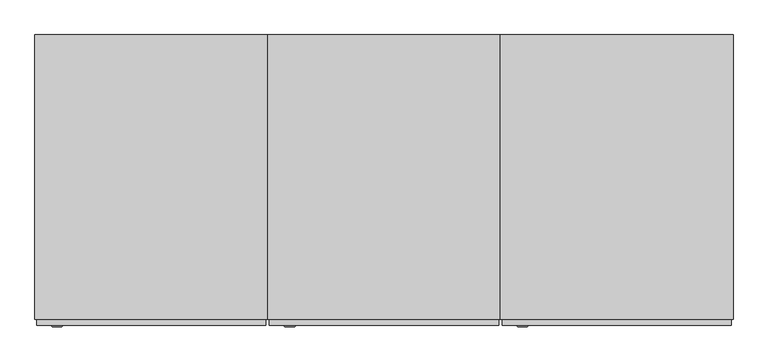
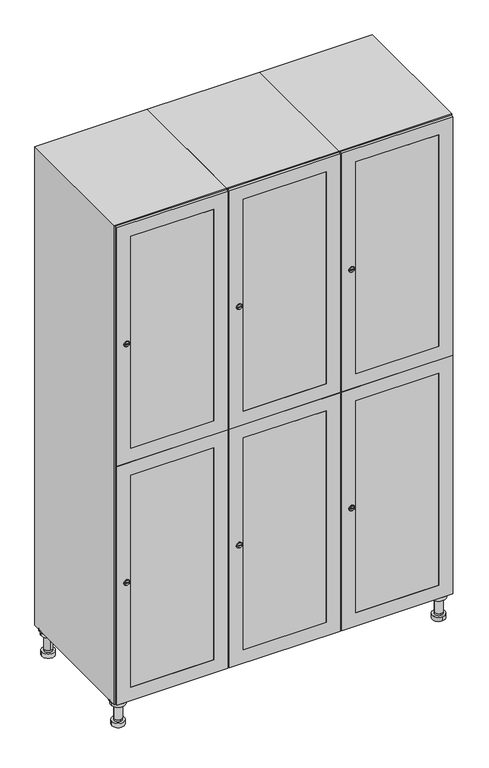
"""IFC4 building model written with IfcOpenShell, lengths in millimetres: furniture geometry."""

from ifc_helpers import new_model, si_unit, point, frame, frame_2d, origin, place, context, project, spatial, polyline, circle_curve, trimmed, segment, composite_curve, outline, extrude, faceted_brep, source, transform, mapped, element, save
from ifc_brep_helpers import plane_surface, cylinder_surface, revolved_surface, advanced_brep


def furniture_083c6bae(model_context):
    return source(origin(), model_context, "Body", "SolidModel", [
        advanced_brep(
        [(970.0, -201.0, 22.0), (970.0, -201.5, 16.0), (970.0, -228.5, 16.0), (970.0, -229.0, 22.0), (956.0, -215.0, 22.0), (984.0, -215.0, 22.0), (970.0, -192.5, 16.0), (970.0, -237.5, 16.0), (970.0, -192.5, 0.0), (970.0, -237.5, 0.0), (984.0, -215.0, 78.0), (956.0, -215.0, 78.0), (995.0, -215.0, 78.0), (945.0, -215.0, 78.0), (1000.0, -215.0, 94.0), (940.0, -215.0, 94.0), (945.0, -215.0, 94.0), (995.0, -215.0, 94.0), (1000.0, -215.0, 100.0), (940.0, -215.0, 100.0)],
        [
            (0, 1),
            (1, 2, circle_curve(frame((970.0, -215.0, 16.0), z_axis=(0.0, 0.0, 1.0), x_axis=(0.0, -1.0, 0.0)), 13.5)),
            (2, 3),
            (3, 4, circle_curve(frame((970.0, -215.0, 22.0), z_axis=(0.0, 0.0, -1.0), x_axis=(0.0, -1.0, 0.0)), 14.0)),
            (4, 0, circle_curve(frame((970.0, -215.0, 22.0), z_axis=(0.0, 0.0, -1.0), x_axis=(0.0, -1.0, 0.0)), 14.0)),
            (0, 5, circle_curve(frame((970.0, -215.0, 22.0), z_axis=(0.0, 0.0, -1.0), x_axis=(0.0, 1.0, 0.0)), 14.0)),
            (5, 3, circle_curve(frame((970.0, -215.0, 22.0), z_axis=(0.0, 0.0, -1.0), x_axis=(0.0, 1.0, 0.0)), 14.0)),
            (2, 1, circle_curve(frame((970.0, -215.0, 16.0), z_axis=(0.0, 0.0, 1.0), x_axis=(0.0, 1.0, 0.0)), 13.5)),
            (6, 7, circle_curve(frame((970.0, -215.0, 16.0), z_axis=(0.0, 0.0, 1.0), x_axis=(0.0, -1.0, 0.0)), 22.5)),
            (7, 6, circle_curve(frame((970.0, -215.0, 16.0), z_axis=(0.0, 0.0, 1.0), x_axis=(0.0, -1.0, 0.0)), 22.5)),
            (8, 9, circle_curve(frame((970.0, -215.0, 0.0), z_axis=(0.0, 0.0, -1.0), x_axis=(0.0, -1.0, 0.0)), 22.5)),
            (9, 8, circle_curve(frame((970.0, -215.0, 0.0), z_axis=(0.0, 0.0, -1.0), x_axis=(0.0, -1.0, 0.0)), 22.5)),
            (6, 8),
            (9, 7),
            (5, 10),
            (10, 11, circle_curve(frame((970.0, -215.0, 78.0), z_axis=(0.0, 0.0, -1.0), x_axis=(-1.0, 0.0, 0.0)), 14.0)),
            (11, 4),
            (11, 10, circle_curve(frame((970.0, -215.0, 78.0), z_axis=(0.0, 0.0, -1.0), x_axis=(-1.0, 0.0, 0.0)), 14.0)),
            (12, 13, circle_curve(frame((970.0, -215.0, 78.0), z_axis=(0.0, 0.0, -1.0), x_axis=(-1.0, 0.0, 0.0)), 25.0)),
            (13, 12, circle_curve(frame((970.0, -215.0, 78.0), z_axis=(0.0, 0.0, -1.0), x_axis=(-1.0, 0.0, 0.0)), 25.0)),
            (14, 15, circle_curve(frame((970.0, -215.0, 94.0), z_axis=(0.0, 0.0, -1.0), x_axis=(-1.0, 0.0, 0.0)), 30.0)),
            (15, 14, circle_curve(frame((970.0, -215.0, 94.0), z_axis=(0.0, 0.0, -1.0), x_axis=(-1.0, 0.0, 0.0)), 30.0)),
            (16, 17, circle_curve(frame((970.0, -215.0, 94.0), z_axis=(0.0, 0.0, 1.0), x_axis=(-1.0, 0.0, 0.0)), 25.0)),
            (17, 16, circle_curve(frame((970.0, -215.0, 94.0), z_axis=(0.0, 0.0, 1.0), x_axis=(-1.0, 0.0, 0.0)), 25.0)),
            (18, 19, circle_curve(frame((970.0, -215.0, 100.0), z_axis=(0.0, 0.0, 1.0), x_axis=(-1.0, 0.0, 0.0)), 30.0)),
            (19, 18, circle_curve(frame((970.0, -215.0, 100.0), z_axis=(0.0, 0.0, 1.0), x_axis=(-1.0, 0.0, 0.0)), 30.0)),
            (14, 18),
            (19, 15),
            (12, 17),
            (16, 13),
        ],
        [
            revolved_surface(polyline([(970.0, -201.5, 16.0), (970.0, -201.0, 22.0)]), (970.0, -215.0, -146.0), (0.0, 0.0, 1.0)),
            plane_surface(frame((970.0, 0.0, 16.0), z_axis=(0.0, 0.0, 1.0), x_axis=(0.0, -1.0, 0.0))),
            plane_surface(frame((970.0, 0.0, 0.0), z_axis=(0.0, 0.0, -1.0), x_axis=(0.0, -1.0, 0.0))),
            cylinder_surface(frame((970.0, -215.0, 16.0), z_axis=(0.0, 0.0, 1.0), x_axis=(0.0, -1.0, 0.0)), 22.5),
            cylinder_surface(frame((970.0, -215.0, 22.0), z_axis=(0.0, 0.0, -1.0), x_axis=(-1.0, 0.0, 0.0)), 14.0),
            plane_surface(frame((970.0, 0.0, 78.0), z_axis=(0.0, 0.0, -1.0), x_axis=(0.0, -1.0, 0.0))),
            plane_surface(frame((970.0, 0.0, 94.0), z_axis=(0.0, 0.0, -1.0), x_axis=(0.0, -1.0, 0.0))),
            plane_surface(frame((970.0, 0.0, 100.0), z_axis=(0.0, 0.0, 1.0), x_axis=(0.0, -1.0, 0.0))),
            cylinder_surface(frame((970.0, -215.0, 94.0), z_axis=(0.0, 0.0, -1.0), x_axis=(-1.0, 0.0, 0.0)), 30.0),
            cylinder_surface(frame((970.0, -215.0, 78.0), z_axis=(0.0, 0.0, -1.0), x_axis=(-1.0, 0.0, 0.0)), 25.0),
        ],
        [
            (0, [[1, 2, 3, 4, 5]]),
            (0, [[-1, 6, 7, -3, 8]]),
            (1, [[9, 10], [-2, -8]]),
            (2, [[11, 12]]),
            (3, [[-9, 13, -12, 14]]),
            (3, [[-10, -14, -11, -13]]),
            (4, [[15, 16, 17, -4, -7]]),
            (4, [[-15, -6, -5, -17, 18]]),
            (5, [[19, 20], [-16, -18]]),
            (6, [[21, 22], [23, 24]]),
            (7, [[25, 26]]),
            (8, [[-21, 27, -26, 28]]),
            (8, [[-22, -28, -25, -27]]),
            (9, [[-19, 29, -23, 30]]),
            (9, [[-20, -30, -24, -29]]),
        ],
    ),
        advanced_brep(
        [(-170.0, -201.0, 22.0), (-170.0, -201.5, 16.0), (-170.0, -228.5, 16.0), (-170.0, -229.0, 22.0), (-184.0, -215.0, 22.0), (-156.0, -215.0, 22.0), (-147.5, -215.0, 0.0), (-192.5, -215.0, 0.0), (-147.5, -215.0, 16.0), (-192.5, -215.0, 16.0), (-156.0, -215.0, 78.0), (-184.0, -215.0, 78.0), (-145.0, -215.0, 78.0), (-195.0, -215.0, 78.0), (-140.0, -215.0, 94.0), (-200.0, -215.0, 94.0), (-195.0, -215.0, 94.0), (-145.0, -215.0, 94.0), (-140.0, -215.0, 100.0), (-200.0, -215.0, 100.0)],
        [
            (0, 1),
            (1, 2, circle_curve(frame((-170.0, -215.0, 16.0), z_axis=(0.0, 0.0, 1.0), x_axis=(0.0, -1.0, 0.0)), 13.5)),
            (2, 3),
            (3, 4, circle_curve(frame((-170.0, -215.0, 22.0), z_axis=(0.0, 0.0, -1.0), x_axis=(0.0, -1.0, 0.0)), 14.0)),
            (4, 0, circle_curve(frame((-170.0, -215.0, 22.0), z_axis=(0.0, 0.0, -1.0), x_axis=(0.0, -1.0, 0.0)), 14.0)),
            (0, 5, circle_curve(frame((-170.0, -215.0, 22.0), z_axis=(0.0, 0.0, -1.0), x_axis=(0.0, 1.0, 0.0)), 14.0)),
            (5, 3, circle_curve(frame((-170.0, -215.0, 22.0), z_axis=(0.0, 0.0, -1.0), x_axis=(0.0, 1.0, 0.0)), 14.0)),
            (2, 1, circle_curve(frame((-170.0, -215.0, 16.0), z_axis=(0.0, 0.0, 1.0), x_axis=(0.0, 1.0, 0.0)), 13.5)),
            (6, 7, circle_curve(frame((-170.0, -215.0, 0.0), z_axis=(0.0, 0.0, -1.0), x_axis=(-1.0, 0.0, 0.0)), 22.5)),
            (7, 6, circle_curve(frame((-170.0, -215.0, 0.0), z_axis=(0.0, 0.0, -1.0), x_axis=(-1.0, 0.0, 0.0)), 22.5)),
            (8, 9, circle_curve(frame((-170.0, -215.0, 16.0), z_axis=(0.0, 0.0, 1.0), x_axis=(-1.0, 0.0, 0.0)), 22.5)),
            (9, 8, circle_curve(frame((-170.0, -215.0, 16.0), z_axis=(0.0, 0.0, 1.0), x_axis=(-1.0, 0.0, 0.0)), 22.5)),
            (6, 8),
            (9, 7),
            (5, 10),
            (10, 11, circle_curve(frame((-170.0, -215.0, 78.0), z_axis=(0.0, 0.0, -1.0), x_axis=(-1.0, 0.0, 0.0)), 14.0)),
            (11, 4),
            (11, 10, circle_curve(frame((-170.0, -215.0, 78.0), z_axis=(0.0, 0.0, -1.0), x_axis=(-1.0, 0.0, 0.0)), 14.0)),
            (12, 13, circle_curve(frame((-170.0, -215.0, 78.0), z_axis=(0.0, 0.0, -1.0), x_axis=(-1.0, 0.0, 0.0)), 25.0)),
            (13, 12, circle_curve(frame((-170.0, -215.0, 78.0), z_axis=(0.0, 0.0, -1.0), x_axis=(-1.0, 0.0, 0.0)), 25.0)),
            (14, 15, circle_curve(frame((-170.0, -215.0, 94.0), z_axis=(0.0, 0.0, -1.0), x_axis=(-1.0, 0.0, 0.0)), 30.0)),
            (15, 14, circle_curve(frame((-170.0, -215.0, 94.0), z_axis=(0.0, 0.0, -1.0), x_axis=(-1.0, 0.0, 0.0)), 30.0)),
            (16, 17, circle_curve(frame((-170.0, -215.0, 94.0), z_axis=(0.0, 0.0, 1.0), x_axis=(-1.0, 0.0, 0.0)), 25.0)),
            (17, 16, circle_curve(frame((-170.0, -215.0, 94.0), z_axis=(0.0, 0.0, 1.0), x_axis=(-1.0, 0.0, 0.0)), 25.0)),
            (18, 19, circle_curve(frame((-170.0, -215.0, 100.0), z_axis=(0.0, 0.0, 1.0), x_axis=(-1.0, 0.0, 0.0)), 30.0)),
            (19, 18, circle_curve(frame((-170.0, -215.0, 100.0), z_axis=(0.0, 0.0, 1.0), x_axis=(-1.0, 0.0, 0.0)), 30.0)),
            (14, 18),
            (19, 15),
            (12, 17),
            (16, 13),
        ],
        [
            revolved_surface(polyline([(-170.0, -201.5, 16.0), (-170.0, -201.0, 22.0)]), (-170.0, -215.0, -146.0), (0.0, 0.0, 1.0)),
            plane_surface(frame((-170.0, 0.0, 0.0), z_axis=(0.0, 0.0, -1.0), x_axis=(0.0, -1.0, 0.0))),
            plane_surface(frame((-170.0, 0.0, 16.0), z_axis=(0.0, 0.0, 1.0), x_axis=(0.0, -1.0, 0.0))),
            cylinder_surface(frame((-170.0, -215.0, 0.0), z_axis=(0.0, 0.0, -1.0), x_axis=(-1.0, 0.0, 0.0)), 22.5),
            cylinder_surface(frame((-170.0, -215.0, 22.0), z_axis=(0.0, 0.0, -1.0), x_axis=(-1.0, 0.0, 0.0)), 14.0),
            plane_surface(frame((-170.0, 0.0, 78.0), z_axis=(0.0, 0.0, -1.0), x_axis=(0.0, -1.0, 0.0))),
            plane_surface(frame((-170.0, 0.0, 94.0), z_axis=(0.0, 0.0, -1.0), x_axis=(0.0, -1.0, 0.0))),
            plane_surface(frame((-170.0, 0.0, 100.0), z_axis=(0.0, 0.0, 1.0), x_axis=(0.0, -1.0, 0.0))),
            cylinder_surface(frame((-170.0, -215.0, 94.0), z_axis=(0.0, 0.0, -1.0), x_axis=(-1.0, 0.0, 0.0)), 30.0),
            cylinder_surface(frame((-170.0, -215.0, 78.0), z_axis=(0.0, 0.0, -1.0), x_axis=(-1.0, 0.0, 0.0)), 25.0),
        ],
        [
            (0, [[1, 2, 3, 4, 5]]),
            (0, [[-1, 6, 7, -3, 8]]),
            (1, [[9, 10]]),
            (2, [[11, 12], [-2, -8]]),
            (3, [[-9, 13, -12, 14]]),
            (3, [[-10, -14, -11, -13]]),
            (4, [[15, 16, 17, -4, -7]]),
            (4, [[-15, -6, -5, -17, 18]]),
            (5, [[19, 20], [-16, -18]]),
            (6, [[21, 22], [23, 24]]),
            (7, [[25, 26]]),
            (8, [[-21, 27, -26, 28]]),
            (8, [[-22, -28, -25, -27]]),
            (9, [[-19, 29, -23, 30]]),
            (9, [[-20, -30, -24, -29]]),
        ],
    ),
        advanced_brep(
        [(983.5, 215.0, 16.0), (984.0, 215.0, 22.0), (956.0, 215.0, 22.0), (956.5, 215.0, 16.0), (992.5, 215.0, 0.0), (947.5, 215.0, 0.0), (992.5, 215.0, 16.0), (947.5, 215.0, 16.0), (984.0, 215.0, 78.0), (956.0, 215.0, 78.0), (995.0, 215.0, 78.0), (945.0, 215.0, 78.0), (1000.0, 215.0, 94.0), (940.0, 215.0, 94.0), (945.0, 215.0, 94.0), (995.0, 215.0, 94.0), (1000.0, 215.0, 100.0), (940.0, 215.0, 100.0)],
        [
            (0, 1),
            (1, 2, circle_curve(frame((970.0, 215.0, 22.0), z_axis=(0.0, 0.0, -1.0), x_axis=(-1.0, 0.0, 0.0)), 14.0)),
            (2, 3),
            (3, 0, circle_curve(frame((970.0, 215.0, 16.0), z_axis=(0.0, 0.0, 1.0), x_axis=(-1.0, 0.0, 0.0)), 13.5)),
            (0, 3, circle_curve(frame((970.0, 215.0, 16.0), z_axis=(0.0, 0.0, 1.0), x_axis=(1.0, 0.0, 0.0)), 13.5)),
            (2, 1, circle_curve(frame((970.0, 215.0, 22.0), z_axis=(0.0, 0.0, -1.0), x_axis=(1.0, 0.0, 0.0)), 14.0)),
            (4, 5, circle_curve(frame((970.0, 215.0, 0.0), z_axis=(0.0, 0.0, -1.0), x_axis=(-1.0, 0.0, 0.0)), 22.5)),
            (5, 4, circle_curve(frame((970.0, 215.0, 0.0), z_axis=(0.0, 0.0, -1.0), x_axis=(-1.0, 0.0, 0.0)), 22.5)),
            (6, 7, circle_curve(frame((970.0, 215.0, 16.0), z_axis=(0.0, 0.0, 1.0), x_axis=(-1.0, 0.0, 0.0)), 22.5)),
            (7, 6, circle_curve(frame((970.0, 215.0, 16.0), z_axis=(0.0, 0.0, 1.0), x_axis=(-1.0, 0.0, 0.0)), 22.5)),
            (4, 6),
            (7, 5),
            (1, 8),
            (8, 9, circle_curve(frame((970.0, 215.0, 78.0), z_axis=(0.0, 0.0, -1.0), x_axis=(-1.0, 0.0, 0.0)), 14.0)),
            (9, 2),
            (9, 8, circle_curve(frame((970.0, 215.0, 78.0), z_axis=(0.0, 0.0, -1.0), x_axis=(-1.0, 0.0, 0.0)), 14.0)),
            (10, 11, circle_curve(frame((970.0, 215.0, 78.0), z_axis=(0.0, 0.0, -1.0), x_axis=(-1.0, 0.0, 0.0)), 25.0)),
            (11, 10, circle_curve(frame((970.0, 215.0, 78.0), z_axis=(0.0, 0.0, -1.0), x_axis=(-1.0, 0.0, 0.0)), 25.0)),
            (12, 13, circle_curve(frame((970.0, 215.0, 94.0), z_axis=(0.0, 0.0, -1.0), x_axis=(-1.0, 0.0, 0.0)), 30.0)),
            (13, 12, circle_curve(frame((970.0, 215.0, 94.0), z_axis=(0.0, 0.0, -1.0), x_axis=(-1.0, 0.0, 0.0)), 30.0)),
            (14, 15, circle_curve(frame((970.0, 215.0, 94.0), z_axis=(0.0, 0.0, 1.0), x_axis=(-1.0, 0.0, 0.0)), 25.0)),
            (15, 14, circle_curve(frame((970.0, 215.0, 94.0), z_axis=(0.0, 0.0, 1.0), x_axis=(-1.0, 0.0, 0.0)), 25.0)),
            (16, 17, circle_curve(frame((970.0, 215.0, 100.0), z_axis=(0.0, 0.0, 1.0), x_axis=(-1.0, 0.0, 0.0)), 30.0)),
            (17, 16, circle_curve(frame((970.0, 215.0, 100.0), z_axis=(0.0, 0.0, 1.0), x_axis=(-1.0, 0.0, 0.0)), 30.0)),
            (12, 16),
            (17, 13),
            (10, 15),
            (14, 11),
        ],
        [
            revolved_surface(polyline([(983.5, 215.0, 16.0), (984.0, 215.0, 22.0)]), (970.0, 215.0, -146.0), (0.0, 0.0, 1.0)),
            plane_surface(frame((970.0, 0.0, 0.0), z_axis=(0.0, 0.0, -1.0), x_axis=(0.0, -1.0, 0.0))),
            plane_surface(frame((970.0, 0.0, 16.0), z_axis=(0.0, 0.0, 1.0), x_axis=(0.0, -1.0, 0.0))),
            cylinder_surface(frame((970.0, 215.0, 0.0), z_axis=(0.0, 0.0, -1.0), x_axis=(-1.0, 0.0, 0.0)), 22.5),
            cylinder_surface(frame((970.0, 215.0, 22.0), z_axis=(0.0, 0.0, -1.0), x_axis=(-1.0, 0.0, 0.0)), 14.0),
            plane_surface(frame((970.0, 0.0, 78.0), z_axis=(0.0, 0.0, -1.0), x_axis=(0.0, -1.0, 0.0))),
            plane_surface(frame((970.0, 0.0, 94.0), z_axis=(0.0, 0.0, -1.0), x_axis=(0.0, -1.0, 0.0))),
            plane_surface(frame((970.0, 0.0, 100.0), z_axis=(0.0, 0.0, 1.0), x_axis=(0.0, -1.0, 0.0))),
            cylinder_surface(frame((970.0, 215.0, 94.0), z_axis=(0.0, 0.0, -1.0), x_axis=(-1.0, 0.0, 0.0)), 30.0),
            cylinder_surface(frame((970.0, 215.0, 78.0), z_axis=(0.0, 0.0, -1.0), x_axis=(-1.0, 0.0, 0.0)), 25.0),
        ],
        [
            (0, [[1, 2, 3, 4]]),
            (0, [[-1, 5, -3, 6]]),
            (1, [[7, 8]]),
            (2, [[9, 10], [-4, -5]]),
            (3, [[-7, 11, -10, 12]]),
            (3, [[-8, -12, -9, -11]]),
            (4, [[13, 14, 15, -2]]),
            (4, [[-13, -6, -15, 16]]),
            (5, [[17, 18], [-14, -16]]),
            (6, [[19, 20], [21, 22]]),
            (7, [[23, 24]]),
            (8, [[-19, 25, -24, 26]]),
            (8, [[-20, -26, -23, -25]]),
            (9, [[-17, 27, -21, 28]]),
            (9, [[-18, -28, -22, -27]]),
        ],
    ),
        advanced_brep(
        [(-156.5, 215.0, 16.0), (-156.0, 215.0, 22.0), (-170.0, 201.0, 22.0), (-184.0, 215.0, 22.0), (-183.5, 215.0, 16.0), (-170.0, 229.0, 22.0), (-147.5, 215.0, 0.0), (-192.5, 215.0, 0.0), (-147.5, 215.0, 16.0), (-192.5, 215.0, 16.0), (-170.0, 229.0, 78.0), (-170.0, 201.0, 78.0), (-145.0, 215.0, 78.0), (-195.0, 215.0, 78.0), (-140.0, 215.0, 94.0), (-200.0, 215.0, 94.0), (-195.0, 215.0, 94.0), (-145.0, 215.0, 94.0), (-140.0, 215.0, 100.0), (-200.0, 215.0, 100.0)],
        [
            (0, 1),
            (1, 2, circle_curve(frame((-170.0, 215.0, 22.0), z_axis=(0.0, 0.0, -1.0), x_axis=(-1.0, 0.0, 0.0)), 14.0)),
            (2, 3, circle_curve(frame((-170.0, 215.0, 22.0), z_axis=(0.0, 0.0, -1.0), x_axis=(-1.0, 0.0, 0.0)), 14.0)),
            (3, 4),
            (4, 0, circle_curve(frame((-170.0, 215.0, 16.0), z_axis=(0.0, 0.0, 1.0), x_axis=(-1.0, 0.0, 0.0)), 13.5)),
            (0, 4, circle_curve(frame((-170.0, 215.0, 16.0), z_axis=(0.0, 0.0, 1.0), x_axis=(1.0, 0.0, 0.0)), 13.5)),
            (3, 5, circle_curve(frame((-170.0, 215.0, 22.0), z_axis=(0.0, 0.0, -1.0), x_axis=(1.0, 0.0, 0.0)), 14.0)),
            (5, 1, circle_curve(frame((-170.0, 215.0, 22.0), z_axis=(0.0, 0.0, -1.0), x_axis=(1.0, 0.0, 0.0)), 14.0)),
            (6, 7, circle_curve(frame((-170.0, 215.0, 0.0), z_axis=(0.0, 0.0, -1.0), x_axis=(-1.0, 0.0, 0.0)), 22.5)),
            (7, 6, circle_curve(frame((-170.0, 215.0, 0.0), z_axis=(0.0, 0.0, -1.0), x_axis=(-1.0, 0.0, 0.0)), 22.5)),
            (8, 9, circle_curve(frame((-170.0, 215.0, 16.0), z_axis=(0.0, 0.0, 1.0), x_axis=(-1.0, 0.0, 0.0)), 22.5)),
            (9, 8, circle_curve(frame((-170.0, 215.0, 16.0), z_axis=(0.0, 0.0, 1.0), x_axis=(-1.0, 0.0, 0.0)), 22.5)),
            (6, 8),
            (9, 7),
            (10, 5),
            (2, 11),
            (11, 10, circle_curve(frame((-170.0, 215.0, 78.0), z_axis=(0.0, 0.0, -1.0), x_axis=(0.0, -1.0, 0.0)), 14.0)),
            (10, 11, circle_curve(frame((-170.0, 215.0, 78.0), z_axis=(0.0, 0.0, -1.0), x_axis=(0.0, -1.0, 0.0)), 14.0)),
            (12, 13, circle_curve(frame((-170.0, 215.0, 78.0), z_axis=(0.0, 0.0, -1.0), x_axis=(-1.0, 0.0, 0.0)), 25.0)),
            (13, 12, circle_curve(frame((-170.0, 215.0, 78.0), z_axis=(0.0, 0.0, -1.0), x_axis=(-1.0, 0.0, 0.0)), 25.0)),
            (14, 15, circle_curve(frame((-170.0, 215.0, 94.0), z_axis=(0.0, 0.0, -1.0), x_axis=(-1.0, 0.0, 0.0)), 30.0)),
            (15, 14, circle_curve(frame((-170.0, 215.0, 94.0), z_axis=(0.0, 0.0, -1.0), x_axis=(-1.0, 0.0, 0.0)), 30.0)),
            (16, 17, circle_curve(frame((-170.0, 215.0, 94.0), z_axis=(0.0, 0.0, 1.0), x_axis=(-1.0, 0.0, 0.0)), 25.0)),
            (17, 16, circle_curve(frame((-170.0, 215.0, 94.0), z_axis=(0.0, 0.0, 1.0), x_axis=(-1.0, 0.0, 0.0)), 25.0)),
            (18, 19, circle_curve(frame((-170.0, 215.0, 100.0), z_axis=(0.0, 0.0, 1.0), x_axis=(-1.0, 0.0, 0.0)), 30.0)),
            (19, 18, circle_curve(frame((-170.0, 215.0, 100.0), z_axis=(0.0, 0.0, 1.0), x_axis=(-1.0, 0.0, 0.0)), 30.0)),
            (14, 18),
            (19, 15),
            (12, 17),
            (16, 13),
        ],
        [
            revolved_surface(polyline([(-156.5, 215.0, 16.0), (-156.0, 215.0, 22.0)]), (-170.0, 215.0, -146.0), (0.0, 0.0, 1.0)),
            plane_surface(frame((-170.0, 0.0, 0.0), z_axis=(0.0, 0.0, -1.0), x_axis=(0.0, -1.0, 0.0))),
            plane_surface(frame((-170.0, 0.0, 16.0), z_axis=(0.0, 0.0, 1.0), x_axis=(0.0, -1.0, 0.0))),
            cylinder_surface(frame((-170.0, 215.0, 0.0), z_axis=(0.0, 0.0, -1.0), x_axis=(-1.0, 0.0, 0.0)), 22.5),
            cylinder_surface(frame((-170.0, 215.0, 78.0), z_axis=(0.0, 0.0, 1.0), x_axis=(0.0, -1.0, 0.0)), 14.0),
            plane_surface(frame((-170.0, 0.0, 78.0), z_axis=(0.0, 0.0, -1.0), x_axis=(0.0, -1.0, 0.0))),
            plane_surface(frame((-170.0, 0.0, 94.0), z_axis=(0.0, 0.0, -1.0), x_axis=(0.0, -1.0, 0.0))),
            plane_surface(frame((-170.0, 0.0, 100.0), z_axis=(0.0, 0.0, 1.0), x_axis=(0.0, -1.0, 0.0))),
            cylinder_surface(frame((-170.0, 215.0, 94.0), z_axis=(0.0, 0.0, -1.0), x_axis=(-1.0, 0.0, 0.0)), 30.0),
            cylinder_surface(frame((-170.0, 215.0, 78.0), z_axis=(0.0, 0.0, -1.0), x_axis=(-1.0, 0.0, 0.0)), 25.0),
        ],
        [
            (0, [[1, 2, 3, 4, 5]]),
            (0, [[-1, 6, -4, 7, 8]]),
            (1, [[9, 10]]),
            (2, [[11, 12], [-5, -6]]),
            (3, [[-9, 13, -12, 14]]),
            (3, [[-10, -14, -11, -13]]),
            (4, [[15, -7, -3, 16, 17]]),
            (4, [[-15, 18, -16, -2, -8]]),
            (5, [[19, 20], [-17, -18]]),
            (6, [[21, 22], [23, 24]]),
            (7, [[25, 26]]),
            (8, [[-21, 27, -26, 28]]),
            (8, [[-22, -28, -25, -27]]),
            (9, [[-19, 29, -23, 30]]),
            (9, [[-20, -30, -24, -29]]),
        ],
    ),
        extrude(outline(composite_curve([segment(trimmed(circle_curve(frame_2d((1448.5, 611.2010534)), 7.0), [point((1455.5, 611.2010534))], [point((1441.5, 611.2010534))], False, "CARTESIAN"), True, "CONTINUOUS"), segment(polyline([(1441.5, 611.2010534), (1441.5, 639.2010534)]), True, "CONTINUOUS"), segment(trimmed(circle_curve(frame_2d((1448.5, 639.2010534)), 7.0), [point((1441.5, 639.2010534))], [point((1455.5, 639.2010534))], False, "CARTESIAN"), True, "CONTINUOUS"), segment(polyline([(1455.5, 639.2010534), (1455.5, 611.2010534)]), True, "CONTINUOUS")], self_intersect=False)), frame((0.0, -245.0, 0.0), z_axis=(0.0, 1.0, 0.0), x_axis=(0.0, 0.0, 1.0)), (0.0, 0.0, 1.0), 2.0),
        advanced_brep(
        [(646.5, -257.2, 1448.5), (629.5, -257.2, 1448.5), (633.0, -257.2, 1447.25), (633.0, -257.2, 1449.75), (643.0, -257.2, 1449.75), (643.0, -257.2, 1447.25), (648.5, -255.0, 1448.5), (627.5, -255.0, 1448.5), (633.0, -255.0, 1449.75), (633.0, -255.0, 1447.25), (643.0, -255.0, 1447.25), (643.0, -255.0, 1449.75)],
        [
            (0, 1, circle_curve(frame((638.0, -257.2, 1448.5), z_axis=(0.0, -1.0, 0.0), x_axis=(1.0, 0.0, 0.0)), 8.5)),
            (1, 0, circle_curve(frame((638.0, -257.2, 1448.5), z_axis=(0.0, -1.0, 0.0), x_axis=(-1.0, 0.0, 0.0)), 8.5)),
            (2, 3),
            (3, 4),
            (4, 5),
            (5, 2),
            (6, 7, circle_curve(frame((638.0, -255.0, 1448.5), z_axis=(0.0, 1.0, 0.0), x_axis=(-1.0, 0.0, 0.0)), 10.5)),
            (7, 6, circle_curve(frame((638.0, -255.0, 1448.5), z_axis=(0.0, 1.0, 0.0), x_axis=(1.0, 0.0, 0.0)), 10.5)),
            (8, 9),
            (9, 10),
            (10, 11),
            (11, 8),
            (0, 6),
            (7, 1),
            (8, 3),
            (2, 9),
            (11, 4),
            (10, 5),
        ],
        [
            plane_surface(frame((638.0, -257.2, 1448.5), z_axis=(0.0, -1.0, 0.0), x_axis=(0.0, 0.0, 1.0))),
            plane_surface(frame((638.0, -255.0, 1448.5), z_axis=(0.0, 1.0, 0.0), x_axis=(0.0, 0.0, 1.0))),
            revolved_surface(polyline([(646.5, -257.2, 1448.5), (648.5, -255.0, 1448.5)]), (638.0, -266.55, 1448.5), (0.0, 1.0, 0.0)),
            revolved_surface(polyline([(629.5, -257.2, 1448.5), (627.5, -255.0, 1448.5)]), (638.0, -266.55, 1448.5), (0.0, 1.0, 0.0)),
            plane_surface(frame((633.0, -255.0, 1447.25), z_axis=(1.0, 0.0, 0.0), x_axis=(0.0, -1.0, 0.0))),
            plane_surface(frame((633.0, -255.0, 1449.75), z_axis=(0.0, 0.0, -1.0), x_axis=(0.0, -1.0, 0.0))),
            plane_surface(frame((643.0, -255.0, 1449.75), z_axis=(-1.0, 0.0, 0.0), x_axis=(0.0, -1.0, 0.0))),
            plane_surface(frame((643.0, -255.0, 1447.25), z_axis=(0.0, 0.0, 1.0), x_axis=(0.0, -1.0, 0.0))),
        ],
        [
            (0, [[1, 2], [3, 4, 5, 6]]),
            (1, [[7, 8], [9, 10, 11, 12]]),
            (2, [[-1, 13, -8, 14]]),
            (3, [[-2, -14, -7, -13]]),
            (4, [[15, -3, 16, -9]]),
            (5, [[-15, -12, 17, -4]]),
            (6, [[-17, -11, 18, -5]]),
            (7, [[-16, -6, -18, -10]]),
        ],
    ),
        extrude(outline(composite_curve([segment(trimmed(circle_curve(frame_2d((551.5, 611.2010534)), 7.0), [point((558.5, 611.2010534))], [point((544.5, 611.2010534))], False, "CARTESIAN"), True, "CONTINUOUS"), segment(polyline([(544.5, 611.2010534), (544.5, 639.2010534)]), True, "CONTINUOUS"), segment(trimmed(circle_curve(frame_2d((551.5, 639.2010534)), 7.0), [point((544.5, 639.2010534))], [point((558.5, 639.2010534))], False, "CARTESIAN"), True, "CONTINUOUS"), segment(polyline([(558.5, 639.2010534), (558.5, 611.2010534)]), True, "CONTINUOUS")], self_intersect=False)), frame((0.0, -245.0, 0.0), z_axis=(0.0, 1.0, 0.0), x_axis=(0.0, 0.0, 1.0)), (0.0, 0.0, 1.0), 2.0),
        advanced_brep(
        [(646.5, -257.2, 551.5), (629.5, -257.2, 551.5), (633.0, -257.2, 550.25), (633.0, -257.2, 552.75), (643.0, -257.2, 552.75), (643.0, -257.2, 550.25), (648.5, -255.0, 551.5), (627.5, -255.0, 551.5), (633.0, -255.0, 552.75), (633.0, -255.0, 550.25), (643.0, -255.0, 550.25), (643.0, -255.0, 552.75)],
        [
            (0, 1, circle_curve(frame((638.0, -257.2, 551.5), z_axis=(0.0, -1.0, 0.0), x_axis=(1.0, 0.0, 0.0)), 8.5)),
            (1, 0, circle_curve(frame((638.0, -257.2, 551.5), z_axis=(0.0, -1.0, 0.0), x_axis=(-1.0, 0.0, 0.0)), 8.5)),
            (2, 3),
            (3, 4),
            (4, 5),
            (5, 2),
            (6, 7, circle_curve(frame((638.0, -255.0, 551.5), z_axis=(0.0, 1.0, 0.0), x_axis=(-1.0, 0.0, 0.0)), 10.5)),
            (7, 6, circle_curve(frame((638.0, -255.0, 551.5), z_axis=(0.0, 1.0, 0.0), x_axis=(1.0, 0.0, 0.0)), 10.5)),
            (8, 9),
            (9, 10),
            (10, 11),
            (11, 8),
            (0, 6),
            (7, 1),
            (8, 3),
            (2, 9),
            (11, 4),
            (10, 5),
        ],
        [
            plane_surface(frame((638.0, -257.2, 551.5), z_axis=(0.0, -1.0, 0.0), x_axis=(0.0, 0.0, 1.0))),
            plane_surface(frame((638.0, -255.0, 551.5), z_axis=(0.0, 1.0, 0.0), x_axis=(0.0, 0.0, 1.0))),
            revolved_surface(polyline([(646.5, -257.2, 551.5), (648.5, -255.0, 551.5)]), (638.0, -266.55, 551.5), (0.0, 1.0, 0.0)),
            revolved_surface(polyline([(629.5, -257.2, 551.5), (627.5, -255.0, 551.5)]), (638.0, -266.55, 551.5), (0.0, 1.0, 0.0)),
            plane_surface(frame((633.0, -255.0, 550.25), z_axis=(1.0, 0.0, 0.0), x_axis=(0.0, -1.0, 0.0))),
            plane_surface(frame((633.0, -255.0, 552.75), z_axis=(0.0, 0.0, -1.0), x_axis=(0.0, -1.0, 0.0))),
            plane_surface(frame((643.0, -255.0, 552.75), z_axis=(-1.0, 0.0, 0.0), x_axis=(0.0, -1.0, 0.0))),
            plane_surface(frame((643.0, -255.0, 550.25), z_axis=(0.0, 0.0, 1.0), x_axis=(0.0, -1.0, 0.0))),
        ],
        [
            (0, [[1, 2], [3, 4, 5, 6]]),
            (1, [[7, 8], [9, 10, 11, 12]]),
            (2, [[-1, 13, -8, 14]]),
            (3, [[-2, -14, -7, -13]]),
            (4, [[15, -3, 16, -9]]),
            (5, [[-15, -12, 17, -4]]),
            (6, [[-17, -11, 18, -5]]),
            (7, [[-16, -6, -18, -10]]),
        ],
    ),
        extrude(outline(polyline([(1000.5, 997.0), (1897.0, 997.0), (1897.0, 603.0), (1000.5, 603.0), (1000.5, 997.0)]), holes=[polyline([(1847.0, 653.0), (1847.0, 947.0), (1050.5, 947.0), (1050.5, 653.0), (1847.0, 653.0)])]), frame((0.0, -255.0, 0.0), z_axis=(0.0, 1.0, 0.0), x_axis=(0.0, 0.0, 1.0)), (0.0, 0.0, 1.0), 10.0),
        extrude(outline(polyline([(999.5, 603.0), (103.0, 603.0), (103.0, 997.0), (999.5, 997.0), (999.5, 603.0)]), holes=[polyline([(153.0, 653.0), (949.5, 653.0), (949.5, 947.0), (153.0, 947.0), (153.0, 653.0)])]), frame((0.0, -255.0, 0.0), z_axis=(0.0, 1.0, 0.0), x_axis=(0.0, 0.0, 1.0)), (0.0, 0.0, 1.0), 10.0),
        extrude(outline(polyline([(947.0, -255.0), (653.0, -255.0), (653.0, -245.0), (947.0, -245.0), (947.0, -255.0)])), frame((0.0, 0.0, 1050.5), z_axis=(0.0, 0.0, 1.0), x_axis=(1.0, 0.0, 0.0)), (0.0, 0.0, 1.0), 796.5),
        extrude(outline(polyline([(947.0, -255.0), (653.0, -255.0), (653.0, -245.0), (947.0, -245.0), (947.0, -255.0)])), frame((0.0, 0.0, 153.0), z_axis=(0.0, 0.0, 1.0), x_axis=(1.0, 0.0, 0.0)), (0.0, 0.0, 1.0), 796.5),
        extrude(outline(polyline([(990.0, 241.0), (990.0, -235.0), (610.0, -235.0), (610.0, 241.0), (990.0, 241.0)])), frame((0.0, 0.0, 995.0), z_axis=(0.0, 0.0, 1.0), x_axis=(1.0, 0.0, 0.0)), (0.0, 0.0, 1.0), 10.0),
        faceted_brep([(1000.0, -245.0, 100.0), (1000.0, -245.0, 1900.0), (600.0, -245.0, 1900.0), (600.0, -245.0, 100.0), (990.0, -245.0, 1890.0), (990.0, -245.0, 110.0), (610.0, -245.0, 110.0), (610.0, -245.0, 1890.0), (1000.0, 245.0, 100.0), (600.0, 245.0, 100.0), (1000.0, 245.0, 1900.0), (600.0, 245.0, 1900.0), (990.0, 241.0, 1890.0), (990.0, 241.0, 110.0), (600.0, 245.0, 1890.0), (610.0, 241.0, 1890.0), (610.0, 241.0, 110.0)], [[[0, 1, 2, 3], [4, 5, 6, 7]], [[8, 0, 3, 9]], [[1, 0, 8, 10]], [[1, 10, 11, 2]], [[4, 12, 13, 5]], [[9, 3, 2, 11, 14]], [[10, 8, 9, 14, 11]], [[12, 15, 16, 13]], [[15, 7, 6, 16]], [[4, 7, 15, 12]], [[6, 5, 13, 16]]]),
        extrude(outline(composite_curve([segment(trimmed(circle_curve(frame_2d((1448.5, 211.2010534)), 7.0), [point((1455.5, 211.2010534))], [point((1441.5, 211.2010534))], False, "CARTESIAN"), True, "CONTINUOUS"), segment(polyline([(1441.5, 211.2010534), (1441.5, 239.2010534)]), True, "CONTINUOUS"), segment(trimmed(circle_curve(frame_2d((1448.5, 239.2010534)), 7.0), [point((1441.5, 239.2010534))], [point((1455.5, 239.2010534))], False, "CARTESIAN"), True, "CONTINUOUS"), segment(polyline([(1455.5, 239.2010534), (1455.5, 211.2010534)]), True, "CONTINUOUS")], self_intersect=False)), frame((0.0, -245.0, 0.0), z_axis=(0.0, 1.0, 0.0), x_axis=(0.0, 0.0, 1.0)), (0.0, 0.0, 1.0), 2.0),
        advanced_brep(
        [(246.5, -257.2, 1448.5), (229.5, -257.2, 1448.5), (233.0, -257.2, 1447.25), (233.0, -257.2, 1449.75), (243.0, -257.2, 1449.75), (243.0, -257.2, 1447.25), (248.5, -255.0, 1448.5), (227.5, -255.0, 1448.5), (233.0, -255.0, 1449.75), (233.0, -255.0, 1447.25), (243.0, -255.0, 1447.25), (243.0, -255.0, 1449.75)],
        [
            (0, 1, circle_curve(frame((238.0, -257.2, 1448.5), z_axis=(0.0, -1.0, 0.0), x_axis=(1.0, 0.0, 0.0)), 8.5)),
            (1, 0, circle_curve(frame((238.0, -257.2, 1448.5), z_axis=(0.0, -1.0, 0.0), x_axis=(-1.0, 0.0, 0.0)), 8.5)),
            (2, 3),
            (3, 4),
            (4, 5),
            (5, 2),
            (6, 7, circle_curve(frame((238.0, -255.0, 1448.5), z_axis=(0.0, 1.0, 0.0), x_axis=(-1.0, 0.0, 0.0)), 10.5)),
            (7, 6, circle_curve(frame((238.0, -255.0, 1448.5), z_axis=(0.0, 1.0, 0.0), x_axis=(1.0, 0.0, 0.0)), 10.5)),
            (8, 9),
            (9, 10),
            (10, 11),
            (11, 8),
            (0, 6),
            (7, 1),
            (8, 3),
            (2, 9),
            (11, 4),
            (10, 5),
        ],
        [
            plane_surface(frame((238.0, -257.2, 1448.5), z_axis=(0.0, -1.0, 0.0), x_axis=(0.0, 0.0, 1.0))),
            plane_surface(frame((238.0, -255.0, 1448.5), z_axis=(0.0, 1.0, 0.0), x_axis=(0.0, 0.0, 1.0))),
            revolved_surface(polyline([(246.5, -257.2, 1448.5), (248.5, -255.0, 1448.5)]), (238.0, -266.55, 1448.5), (0.0, 1.0, 0.0)),
            revolved_surface(polyline([(229.5, -257.2, 1448.5), (227.5, -255.0, 1448.5)]), (238.0, -266.55, 1448.5), (0.0, 1.0, 0.0)),
            plane_surface(frame((233.0, -255.0, 1447.25), z_axis=(1.0, 0.0, 0.0), x_axis=(0.0, -1.0, 0.0))),
            plane_surface(frame((233.0, -255.0, 1449.75), z_axis=(0.0, 0.0, -1.0), x_axis=(0.0, -1.0, 0.0))),
            plane_surface(frame((243.0, -255.0, 1449.75), z_axis=(-1.0, 0.0, 0.0), x_axis=(0.0, -1.0, 0.0))),
            plane_surface(frame((243.0, -255.0, 1447.25), z_axis=(0.0, 0.0, 1.0), x_axis=(0.0, -1.0, 0.0))),
        ],
        [
            (0, [[1, 2], [3, 4, 5, 6]]),
            (1, [[7, 8], [9, 10, 11, 12]]),
            (2, [[-1, 13, -8, 14]]),
            (3, [[-2, -14, -7, -13]]),
            (4, [[15, -3, 16, -9]]),
            (5, [[-15, -12, 17, -4]]),
            (6, [[-17, -11, 18, -5]]),
            (7, [[-16, -6, -18, -10]]),
        ],
    ),
        extrude(outline(composite_curve([segment(trimmed(circle_curve(frame_2d((551.5, 211.2010534)), 7.0), [point((558.5, 211.2010534))], [point((544.5, 211.2010534))], False, "CARTESIAN"), True, "CONTINUOUS"), segment(polyline([(544.5, 211.2010534), (544.5, 239.2010534)]), True, "CONTINUOUS"), segment(trimmed(circle_curve(frame_2d((551.5, 239.2010534)), 7.0), [point((544.5, 239.2010534))], [point((558.5, 239.2010534))], False, "CARTESIAN"), True, "CONTINUOUS"), segment(polyline([(558.5, 239.2010534), (558.5, 211.2010534)]), True, "CONTINUOUS")], self_intersect=False)), frame((0.0, -245.0, 0.0), z_axis=(0.0, 1.0, 0.0), x_axis=(0.0, 0.0, 1.0)), (0.0, 0.0, 1.0), 2.0),
        advanced_brep(
        [(246.5, -257.2, 551.5), (229.5, -257.2, 551.5), (233.0, -257.2, 550.25), (233.0, -257.2, 552.75), (243.0, -257.2, 552.75), (243.0, -257.2, 550.25), (248.5, -255.0, 551.5), (227.5, -255.0, 551.5), (233.0, -255.0, 552.75), (233.0, -255.0, 550.25), (243.0, -255.0, 550.25), (243.0, -255.0, 552.75)],
        [
            (0, 1, circle_curve(frame((238.0, -257.2, 551.5), z_axis=(0.0, -1.0, 0.0), x_axis=(1.0, 0.0, 0.0)), 8.5)),
            (1, 0, circle_curve(frame((238.0, -257.2, 551.5), z_axis=(0.0, -1.0, 0.0), x_axis=(-1.0, 0.0, 0.0)), 8.5)),
            (2, 3),
            (3, 4),
            (4, 5),
            (5, 2),
            (6, 7, circle_curve(frame((238.0, -255.0, 551.5), z_axis=(0.0, 1.0, 0.0), x_axis=(-1.0, 0.0, 0.0)), 10.5)),
            (7, 6, circle_curve(frame((238.0, -255.0, 551.5), z_axis=(0.0, 1.0, 0.0), x_axis=(1.0, 0.0, 0.0)), 10.5)),
            (8, 9),
            (9, 10),
            (10, 11),
            (11, 8),
            (0, 6),
            (7, 1),
            (8, 3),
            (2, 9),
            (11, 4),
            (10, 5),
        ],
        [
            plane_surface(frame((238.0, -257.2, 551.5), z_axis=(0.0, -1.0, 0.0), x_axis=(0.0, 0.0, 1.0))),
            plane_surface(frame((238.0, -255.0, 551.5), z_axis=(0.0, 1.0, 0.0), x_axis=(0.0, 0.0, 1.0))),
            revolved_surface(polyline([(246.5, -257.2, 551.5), (248.5, -255.0, 551.5)]), (238.0, -266.55, 551.5), (0.0, 1.0, 0.0)),
            revolved_surface(polyline([(229.5, -257.2, 551.5), (227.5, -255.0, 551.5)]), (238.0, -266.55, 551.5), (0.0, 1.0, 0.0)),
            plane_surface(frame((233.0, -255.0, 550.25), z_axis=(1.0, 0.0, 0.0), x_axis=(0.0, -1.0, 0.0))),
            plane_surface(frame((233.0, -255.0, 552.75), z_axis=(0.0, 0.0, -1.0), x_axis=(0.0, -1.0, 0.0))),
            plane_surface(frame((243.0, -255.0, 552.75), z_axis=(-1.0, 0.0, 0.0), x_axis=(0.0, -1.0, 0.0))),
            plane_surface(frame((243.0, -255.0, 550.25), z_axis=(0.0, 0.0, 1.0), x_axis=(0.0, -1.0, 0.0))),
        ],
        [
            (0, [[1, 2], [3, 4, 5, 6]]),
            (1, [[7, 8], [9, 10, 11, 12]]),
            (2, [[-1, 13, -8, 14]]),
            (3, [[-2, -14, -7, -13]]),
            (4, [[15, -3, 16, -9]]),
            (5, [[-15, -12, 17, -4]]),
            (6, [[-17, -11, 18, -5]]),
            (7, [[-16, -6, -18, -10]]),
        ],
    ),
        extrude(outline(polyline([(1000.5, 597.0), (1897.0, 597.0), (1897.0, 203.0), (1000.5, 203.0), (1000.5, 597.0)]), holes=[polyline([(1847.0, 253.0), (1847.0, 547.0), (1050.5, 547.0), (1050.5, 253.0), (1847.0, 253.0)])]), frame((0.0, -255.0, 0.0), z_axis=(0.0, 1.0, 0.0), x_axis=(0.0, 0.0, 1.0)), (0.0, 0.0, 1.0), 10.0),
        extrude(outline(polyline([(999.5, 203.0), (103.0, 203.0), (103.0, 597.0), (999.5, 597.0), (999.5, 203.0)]), holes=[polyline([(153.0, 253.0), (949.5, 253.0), (949.5, 547.0), (153.0, 547.0), (153.0, 253.0)])]), frame((0.0, -255.0, 0.0), z_axis=(0.0, 1.0, 0.0), x_axis=(0.0, 0.0, 1.0)), (0.0, 0.0, 1.0), 10.0),
        extrude(outline(polyline([(547.0, -255.0), (253.0, -255.0), (253.0, -245.0), (547.0, -245.0), (547.0, -255.0)])), frame((0.0, 0.0, 1050.5), z_axis=(0.0, 0.0, 1.0), x_axis=(1.0, 0.0, 0.0)), (0.0, 0.0, 1.0), 796.5),
        extrude(outline(polyline([(547.0, -255.0), (253.0, -255.0), (253.0, -245.0), (547.0, -245.0), (547.0, -255.0)])), frame((0.0, 0.0, 153.0), z_axis=(0.0, 0.0, 1.0), x_axis=(1.0, 0.0, 0.0)), (0.0, 0.0, 1.0), 796.5),
        extrude(outline(polyline([(590.0, 241.0), (590.0, -235.0), (210.0, -235.0), (210.0, 241.0), (590.0, 241.0)])), frame((0.0, 0.0, 995.0), z_axis=(0.0, 0.0, 1.0), x_axis=(1.0, 0.0, 0.0)), (0.0, 0.0, 1.0), 10.0),
        faceted_brep([(600.0, -245.0, 100.0), (600.0, -245.0, 1900.0), (200.0, -245.0, 1900.0), (200.0, -245.0, 100.0), (590.0, -245.0, 1890.0), (590.0, -245.0, 110.0), (210.0, -245.0, 110.0), (210.0, -245.0, 1890.0), (600.0, 245.0, 100.0), (200.0, 245.0, 100.0), (600.0, 245.0, 1900.0), (200.0, 245.0, 1900.0), (590.0, 241.0, 1890.0), (590.0, 241.0, 110.0), (200.0, 245.0, 1890.0), (210.0, 241.0, 1890.0), (210.0, 241.0, 110.0)], [[[0, 1, 2, 3], [4, 5, 6, 7]], [[8, 0, 3, 9]], [[1, 0, 8, 10]], [[1, 10, 11, 2]], [[4, 12, 13, 5]], [[9, 3, 2, 11, 14]], [[10, 8, 9, 14, 11]], [[12, 15, 16, 13]], [[15, 7, 6, 16]], [[4, 7, 15, 12]], [[6, 5, 13, 16]]]),
        extrude(outline(composite_curve([segment(trimmed(circle_curve(frame_2d((1448.5, -188.7989466)), 7.0), [point((1455.5, -188.7989466))], [point((1441.5, -188.7989466))], False, "CARTESIAN"), True, "CONTINUOUS"), segment(polyline([(1441.5, -188.7989466), (1441.5, -160.7989466)]), True, "CONTINUOUS"), segment(trimmed(circle_curve(frame_2d((1448.5, -160.7989466)), 7.0), [point((1441.5, -160.7989466))], [point((1455.5, -160.7989466))], False, "CARTESIAN"), True, "CONTINUOUS"), segment(polyline([(1455.5, -160.7989466), (1455.5, -188.7989466)]), True, "CONTINUOUS")], self_intersect=False)), frame((0.0, -245.0, 0.0), z_axis=(0.0, 1.0, 0.0), x_axis=(0.0, 0.0, 1.0)), (0.0, 0.0, 1.0), 2.0),
        advanced_brep(
        [(-153.5, -257.2, 1448.5), (-170.5, -257.2, 1448.5), (-167.0, -257.2, 1447.25), (-167.0, -257.2, 1449.75), (-157.0, -257.2, 1449.75), (-157.0, -257.2, 1447.25), (-151.5, -255.0, 1448.5), (-172.5, -255.0, 1448.5), (-167.0, -255.0, 1449.75), (-167.0, -255.0, 1447.25), (-157.0, -255.0, 1447.25), (-157.0, -255.0, 1449.75)],
        [
            (0, 1, circle_curve(frame((-162.0, -257.2, 1448.5), z_axis=(0.0, -1.0, 0.0), x_axis=(1.0, 0.0, 0.0)), 8.5)),
            (1, 0, circle_curve(frame((-162.0, -257.2, 1448.5), z_axis=(0.0, -1.0, 0.0), x_axis=(-1.0, 0.0, 0.0)), 8.5)),
            (2, 3),
            (3, 4),
            (4, 5),
            (5, 2),
            (6, 7, circle_curve(frame((-162.0, -255.0, 1448.5), z_axis=(0.0, 1.0, 0.0), x_axis=(-1.0, 0.0, 0.0)), 10.5)),
            (7, 6, circle_curve(frame((-162.0, -255.0, 1448.5), z_axis=(0.0, 1.0, 0.0), x_axis=(1.0, 0.0, 0.0)), 10.5)),
            (8, 9),
            (9, 10),
            (10, 11),
            (11, 8),
            (0, 6),
            (7, 1),
            (8, 3),
            (2, 9),
            (11, 4),
            (10, 5),
        ],
        [
            plane_surface(frame((-162.0, -257.2, 1448.5), z_axis=(0.0, -1.0, 0.0), x_axis=(0.0, 0.0, 1.0))),
            plane_surface(frame((-162.0, -255.0, 1448.5), z_axis=(0.0, 1.0, 0.0), x_axis=(0.0, 0.0, 1.0))),
            revolved_surface(polyline([(-153.5, -257.2, 1448.5), (-151.5, -255.0, 1448.5)]), (-162.0, -266.55, 1448.5), (0.0, 1.0, 0.0)),
            revolved_surface(polyline([(-170.5, -257.2, 1448.5), (-172.5, -255.0, 1448.5)]), (-162.0, -266.55, 1448.5), (0.0, 1.0, 0.0)),
            plane_surface(frame((-167.0, -255.0, 1447.25), z_axis=(1.0, 0.0, 0.0), x_axis=(0.0, -1.0, 0.0))),
            plane_surface(frame((-167.0, -255.0, 1449.75), z_axis=(0.0, 0.0, -1.0), x_axis=(0.0, -1.0, 0.0))),
            plane_surface(frame((-157.0, -255.0, 1449.75), z_axis=(-1.0, 0.0, 0.0), x_axis=(0.0, -1.0, 0.0))),
            plane_surface(frame((-157.0, -255.0, 1447.25), z_axis=(0.0, 0.0, 1.0), x_axis=(0.0, -1.0, 0.0))),
        ],
        [
            (0, [[1, 2], [3, 4, 5, 6]]),
            (1, [[7, 8], [9, 10, 11, 12]]),
            (2, [[-1, 13, -8, 14]]),
            (3, [[-2, -14, -7, -13]]),
            (4, [[15, -3, 16, -9]]),
            (5, [[-15, -12, 17, -4]]),
            (6, [[-17, -11, 18, -5]]),
            (7, [[-16, -6, -18, -10]]),
        ],
    ),
        extrude(outline(composite_curve([segment(trimmed(circle_curve(frame_2d((551.5, -188.7989466)), 7.0), [point((558.5, -188.7989466))], [point((544.5, -188.7989466))], False, "CARTESIAN"), True, "CONTINUOUS"), segment(polyline([(544.5, -188.7989466), (544.5, -160.7989466)]), True, "CONTINUOUS"), segment(trimmed(circle_curve(frame_2d((551.5, -160.7989466)), 7.0), [point((544.5, -160.7989466))], [point((558.5, -160.7989466))], False, "CARTESIAN"), True, "CONTINUOUS"), segment(polyline([(558.5, -160.7989466), (558.5, -188.7989466)]), True, "CONTINUOUS")], self_intersect=False)), frame((0.0, -245.0, 0.0), z_axis=(0.0, 1.0, 0.0), x_axis=(0.0, 0.0, 1.0)), (0.0, 0.0, 1.0), 2.0),
        advanced_brep(
        [(-153.5, -257.2, 551.5), (-170.5, -257.2, 551.5), (-167.0, -257.2, 550.25), (-167.0, -257.2, 552.75), (-157.0, -257.2, 552.75), (-157.0, -257.2, 550.25), (-151.5, -255.0, 551.5), (-172.5, -255.0, 551.5), (-167.0, -255.0, 552.75), (-167.0, -255.0, 550.25), (-157.0, -255.0, 550.25), (-157.0, -255.0, 552.75)],
        [
            (0, 1, circle_curve(frame((-162.0, -257.2, 551.5), z_axis=(0.0, -1.0, 0.0), x_axis=(1.0, 0.0, 0.0)), 8.5)),
            (1, 0, circle_curve(frame((-162.0, -257.2, 551.5), z_axis=(0.0, -1.0, 0.0), x_axis=(-1.0, 0.0, 0.0)), 8.5)),
            (2, 3),
            (3, 4),
            (4, 5),
            (5, 2),
            (6, 7, circle_curve(frame((-162.0, -255.0, 551.5), z_axis=(0.0, 1.0, 0.0), x_axis=(-1.0, 0.0, 0.0)), 10.5)),
            (7, 6, circle_curve(frame((-162.0, -255.0, 551.5), z_axis=(0.0, 1.0, 0.0), x_axis=(1.0, 0.0, 0.0)), 10.5)),
            (8, 9),
            (9, 10),
            (10, 11),
            (11, 8),
            (0, 6),
            (7, 1),
            (8, 3),
            (2, 9),
            (11, 4),
            (10, 5),
        ],
        [
            plane_surface(frame((-162.0, -257.2, 551.5), z_axis=(0.0, -1.0, 0.0), x_axis=(0.0, 0.0, 1.0))),
            plane_surface(frame((-162.0, -255.0, 551.5), z_axis=(0.0, 1.0, 0.0), x_axis=(0.0, 0.0, 1.0))),
            revolved_surface(polyline([(-153.5, -257.2, 551.5), (-151.5, -255.0, 551.5)]), (-162.0, -266.55, 551.5), (0.0, 1.0, 0.0)),
            revolved_surface(polyline([(-170.5, -257.2, 551.5), (-172.5, -255.0, 551.5)]), (-162.0, -266.55, 551.5), (0.0, 1.0, 0.0)),
            plane_surface(frame((-167.0, -255.0, 550.25), z_axis=(1.0, 0.0, 0.0), x_axis=(0.0, -1.0, 0.0))),
            plane_surface(frame((-167.0, -255.0, 552.75), z_axis=(0.0, 0.0, -1.0), x_axis=(0.0, -1.0, 0.0))),
            plane_surface(frame((-157.0, -255.0, 552.75), z_axis=(-1.0, 0.0, 0.0), x_axis=(0.0, -1.0, 0.0))),
            plane_surface(frame((-157.0, -255.0, 550.25), z_axis=(0.0, 0.0, 1.0), x_axis=(0.0, -1.0, 0.0))),
        ],
        [
            (0, [[1, 2], [3, 4, 5, 6]]),
            (1, [[7, 8], [9, 10, 11, 12]]),
            (2, [[-1, 13, -8, 14]]),
            (3, [[-2, -14, -7, -13]]),
            (4, [[15, -3, 16, -9]]),
            (5, [[-15, -12, 17, -4]]),
            (6, [[-17, -11, 18, -5]]),
            (7, [[-16, -6, -18, -10]]),
        ],
    ),
        extrude(outline(polyline([(1000.5, 197.0), (1897.0, 197.0), (1897.0, -197.0), (1000.5, -197.0), (1000.5, 197.0)]), holes=[polyline([(1847.0, -147.0), (1847.0, 147.0), (1050.5, 147.0), (1050.5, -147.0), (1847.0, -147.0)])]), frame((0.0, -255.0, 0.0), z_axis=(0.0, 1.0, 0.0), x_axis=(0.0, 0.0, 1.0)), (0.0, 0.0, 1.0), 10.0),
        extrude(outline(polyline([(999.5, -197.0), (103.0, -197.0), (103.0, 197.0), (999.5, 197.0), (999.5, -197.0)]), holes=[polyline([(153.0, -147.0), (949.5, -147.0), (949.5, 147.0), (153.0, 147.0), (153.0, -147.0)])]), frame((0.0, -255.0, 0.0), z_axis=(0.0, 1.0, 0.0), x_axis=(0.0, 0.0, 1.0)), (0.0, 0.0, 1.0), 10.0),
        extrude(outline(polyline([(147.0, -255.0), (-147.0, -255.0), (-147.0, -245.0), (147.0, -245.0), (147.0, -255.0)])), frame((0.0, 0.0, 1050.5), z_axis=(0.0, 0.0, 1.0), x_axis=(1.0, 0.0, 0.0)), (0.0, 0.0, 1.0), 796.5),
        extrude(outline(polyline([(147.0, -255.0), (-147.0, -255.0), (-147.0, -245.0), (147.0, -245.0), (147.0, -255.0)])), frame((0.0, 0.0, 153.0), z_axis=(0.0, 0.0, 1.0), x_axis=(1.0, 0.0, 0.0)), (0.0, 0.0, 1.0), 796.5),
        extrude(outline(polyline([(190.0, 241.0), (190.0, -235.0), (-190.0, -235.0), (-190.0, 241.0), (190.0, 241.0)])), frame((0.0, 0.0, 995.0), z_axis=(0.0, 0.0, 1.0), x_axis=(1.0, 0.0, 0.0)), (0.0, 0.0, 1.0), 10.0),
        faceted_brep([(200.0, -245.0, 100.0), (200.0, -245.0, 1900.0), (-200.0, -245.0, 1900.0), (-200.0, -245.0, 100.0), (190.0, -245.0, 1890.0), (190.0, -245.0, 110.0), (-190.0, -245.0, 110.0), (-190.0, -245.0, 1890.0), (200.0, 245.0, 100.0), (-200.0, 245.0, 100.0), (200.0, 245.0, 1900.0), (-200.0, 245.0, 1900.0), (190.0, 241.0, 1890.0), (190.0, 241.0, 110.0), (-200.0, 245.0, 1890.0), (-190.0, 241.0, 1890.0), (-190.0, 241.0, 110.0)], [[[0, 1, 2, 3], [4, 5, 6, 7]], [[8, 0, 3, 9]], [[1, 0, 8, 10]], [[1, 10, 11, 2]], [[4, 12, 13, 5]], [[9, 3, 2, 11, 14]], [[10, 8, 9, 14, 11]], [[12, 15, 16, 13]], [[15, 7, 6, 16]], [[4, 7, 15, 12]], [[6, 5, 13, 16]]]),
    ])


if __name__ == "__main__":
    model = new_model("IFC4")
    model_context = context("Model", 3, world=origin())
    ifc_project = project(units=[si_unit("LENGTHUNIT", "METRE", prefix="MILLI")], contexts=[model_context])
    site = spatial("IfcSite", under=ifc_project)
    building = spatial("IfcBuilding", under=site)
    placement = place(None, origin())
    furniture_shape = furniture_083c6bae(model_context)
    element("IfcFurniture", 1, at=placement, inside=building, context=model_context, shape_type="MappedRepresentation", body=[
        mapped(furniture_shape, transform((0.0, 0.0, 0.0), x_axis=(1.0, 0.0, 0.0), y_axis=(0.0, 1.0, 0.0), z_axis=(0.0, 0.0, 1.0))),
    ])
    save(model, "model.ifc")
